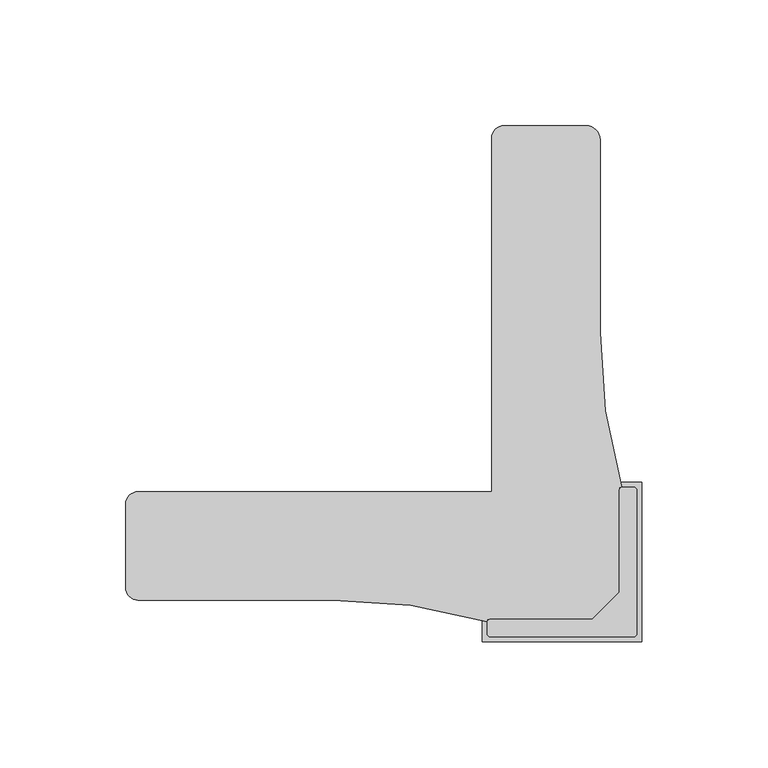
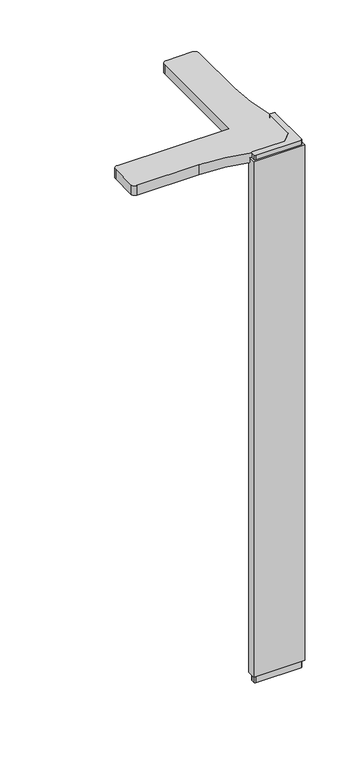
"""IFC4 building model written with IfcOpenShell, lengths in millimetres: furniture geometry."""

from ifc_helpers import new_model, si_unit, point, frame, frame_2d, origin, origin_with_axes, place, context, project, spatial, polyline, circle_curve, trimmed, segment, composite_curve, outline, extrude, source, transform, mapped, element, save


def furniture_6d6c1a7d(model_context):
    return source(origin(), model_context, "Body", "SweptSolid", [
        extrude(outline(composite_curve([segment(polyline([(-36.165211, 9.017), (-25.4630781, 19.7191329), (-25.4630781, 60.199777)]), True, "CONTINUOUS"), segment(trimmed(circle_curve(frame_2d((-24.0673366, 60.199777)), 1.3957414), [point((-25.4630781, 60.199777))], [point((-24.0673366, 61.5955185))], False, "CARTESIAN"), True, "CONTINUOUS"), segment(polyline([(-24.0673366, 61.5955185), (-19.725137, 61.5955185)]), True, "CONTINUOUS"), segment(trimmed(circle_curve(frame_2d((-19.725137, 60.3479675)), 1.2475509), [point((-19.725137, 61.5955185))], [point((-18.4775861, 60.3479675))], False, "CARTESIAN"), True, "CONTINUOUS"), segment(polyline([(-18.4775861, 60.3479675), (-18.4775861, 3.2989482)]), True, "CONTINUOUS"), segment(trimmed(circle_curve(frame_2d((-19.7448219, 3.2989482)), 1.2672359), [point((-18.4775861, 3.2989482))], [point((-19.7448219, 2.0317123))], False, "CARTESIAN"), True, "CONTINUOUS"), segment(polyline([(-19.7448219, 2.0317123), (-76.7822442, 2.0317123)]), True, "CONTINUOUS"), segment(trimmed(circle_curve(frame_2d((-76.7822442, 3.2908603)), 1.259148), [point((-76.7822442, 2.0317123))], [point((-78.0413922, 3.2908603))], False, "CARTESIAN"), True, "CONTINUOUS"), segment(polyline([(-78.0413922, 3.2908603), (-78.0413922, 7.6493291)]), True, "CONTINUOUS"), segment(trimmed(circle_curve(frame_2d((-76.6737214, 7.6493291)), 1.3676709), [point((-78.0413922, 7.6493291))], [point((-76.6737214, 9.017))], False, "CARTESIAN"), True, "CONTINUOUS"), segment(polyline([(-76.6737214, 9.017), (-36.165211, 9.017)]), True, "CONTINUOUS")], self_intersect=False)), frame((0.0, 0.0, 692.15), z_axis=(0.0, 0.0, 1.0), x_axis=(1.0, 0.0, 0.0)), (0.0, 0.0, 1.0), 6.35),
        extrude(outline(composite_curve([segment(polyline([(-36.165211, 9.017), (-25.4630781, 19.7191329), (-25.4630781, 60.199777)]), True, "CONTINUOUS"), segment(trimmed(circle_curve(frame_2d((-24.0673366, 60.199777)), 1.3957414), [point((-25.4630781, 60.199777))], [point((-24.0673366, 61.5955185))], False, "CARTESIAN"), True, "CONTINUOUS"), segment(polyline([(-24.0673366, 61.5955185), (-19.725137, 61.5955185)]), True, "CONTINUOUS"), segment(trimmed(circle_curve(frame_2d((-19.725137, 60.3479675)), 1.2475509), [point((-19.725137, 61.5955185))], [point((-18.4775861, 60.3479675))], False, "CARTESIAN"), True, "CONTINUOUS"), segment(polyline([(-18.4775861, 60.3479675), (-18.4775861, 3.2989482)]), True, "CONTINUOUS"), segment(trimmed(circle_curve(frame_2d((-19.7448219, 3.2989482)), 1.2672359), [point((-18.4775861, 3.2989482))], [point((-19.7448219, 2.0317123))], False, "CARTESIAN"), True, "CONTINUOUS"), segment(polyline([(-19.7448219, 2.0317123), (-76.7822442, 2.0317123)]), True, "CONTINUOUS"), segment(trimmed(circle_curve(frame_2d((-76.7822442, 3.2908603)), 1.259148), [point((-76.7822442, 2.0317123))], [point((-78.0413922, 3.2908603))], False, "CARTESIAN"), True, "CONTINUOUS"), segment(polyline([(-78.0413922, 3.2908603), (-78.0413922, 7.6493291)]), True, "CONTINUOUS"), segment(trimmed(circle_curve(frame_2d((-76.6737214, 7.6493291)), 1.3676709), [point((-78.0413922, 7.6493291))], [point((-76.6737214, 9.017))], False, "CARTESIAN"), True, "CONTINUOUS"), segment(polyline([(-76.6737214, 9.017), (-36.165211, 9.017)]), True, "CONTINUOUS")], self_intersect=False)), origin_with_axes(), (0.0, 0.0, 1.0), 9.525),
        extrude(outline(polyline([(-27.4956403, 63.627), (-16.445152, 63.627), (-16.445152, -0.0007218), (-80.0730781, -0.0007218), (-80.0730781, 11.0497665), (-63.5883712, 11.0497665), (-27.4956403, 47.1424975), (-27.4956403, 63.627)]), holes=[composite_curve([segment(polyline([(-30.0060955, 41.0399398), (-57.4858486, 13.5601867)]), True, "CONTINUOUS"), segment(trimmed(circle_curve(frame_2d((-56.7672161, 12.8415543)), 1.0162998), [point((-57.4858486, 13.5601867))], [point((-56.0485836, 12.1229218))], False, "CARTESIAN"), True, "CONTINUOUS"), segment(polyline([(-56.0485836, 12.1229218), (-57.1225054, 11.049), (-43.1140582, 11.049), (-27.4950781, 26.6679801), (-27.4950781, 40.6787528), (-28.5699933, 39.6038376)]), True, "CONTINUOUS"), segment(trimmed(circle_curve(frame_2d((-29.2880444, 40.3218887)), 1.0154776), [point((-28.5699933, 39.6038376))], [point((-30.0060955, 41.0399398))], False, "CARTESIAN"), True, "CONTINUOUS")], self_intersect=False)]), frame((0.0, 0.0, 9.525), z_axis=(0.0, 0.0, 1.0), x_axis=(1.0, 0.0, 0.0)), (0.0, 0.0, 1.0), 682.625),
        extrude(outline(composite_curve([segment(polyline([(-33.1325055, 199.8409662), (-33.1325055, 122.9243332)]), True, "CONTINUOUS"), segment(trimmed(circle_curve(frame_2d((188.4741311, 122.9243332)), 221.6066366), [point((-33.1325055, 122.9243332))], [point((-24.4772199, 61.5955185))], True, "CARTESIAN"), True, "CONTINUOUS"), segment(polyline([(-24.4772199, 61.5955185), (-25.4630781, 61.5955185), (-25.4630781, 19.7191329), (-36.165211, 9.017), (-78.0413922, 9.017), (-78.0413922, 8.0290207)]), True, "CONTINUOUS"), segment(trimmed(circle_curve(frame_2d((-139.3678815, -204.7868455)), 221.4758027), [point((-78.0413922, 8.0290207))], [point((-139.3678815, 16.6889572))], True, "CARTESIAN"), True, "CONTINUOUS"), segment(polyline([(-139.3678815, 16.6889572), (-216.8964077, 16.6889572)]), True, "CONTINUOUS"), segment(trimmed(circle_curve(frame_2d((-216.8964077, 21.5740052)), 4.885048), [point((-216.8964077, 16.6889572))], [point((-221.7814557, 21.5740052))], False, "CARTESIAN"), True, "CONTINUOUS"), segment(polyline([(-221.7814557, 21.5740052), (-221.7814557, 54.7505345)]), True, "CONTINUOUS"), segment(trimmed(circle_curve(frame_2d((-216.7154329, 54.7505345)), 5.0660228), [point((-221.7814557, 54.7505345))], [point((-216.7154329, 59.8165573))], False, "CARTESIAN"), True, "CONTINUOUS"), segment(polyline([(-216.7154329, 59.8165573), (-76.2647565, 59.8165573), (-76.2647565, 200.3386634)]), True, "CONTINUOUS"), segment(trimmed(circle_curve(frame_2d((-71.2701633, 200.3386634)), 4.9945931), [point((-76.2647565, 200.3386634))], [point((-71.2701633, 205.3332565))], False, "CARTESIAN"), True, "CONTINUOUS"), segment(polyline([(-71.2701633, 205.3332565), (-38.6247958, 205.3332565)]), True, "CONTINUOUS"), segment(trimmed(circle_curve(frame_2d((-38.6247958, 199.8409662)), 5.4922903), [point((-38.6247958, 205.3332565))], [point((-33.1325055, 199.8409662))], False, "CARTESIAN"), True, "CONTINUOUS")], self_intersect=False)), frame((0.0, 0.0, 685.8), z_axis=(0.0, 0.0, 1.0), x_axis=(1.0, 0.0, 0.0)), (0.0, 0.0, 1.0), 12.7),
    ])


if __name__ == "__main__":
    model = new_model("IFC4")
    model_context = context("Model", 3, world=origin())
    ifc_project = project(units=[si_unit("LENGTHUNIT", "METRE", prefix="MILLI")], contexts=[model_context])
    site = spatial("IfcSite", under=ifc_project)
    building = spatial("IfcBuilding", under=site)
    placement = place(None, origin())
    furniture_shape = furniture_6d6c1a7d(model_context)
    element("IfcFurniture", 1, at=placement, inside=building, context=model_context, shape_type="MappedRepresentation", body=[
        mapped(furniture_shape, transform((0.0, 0.0, 0.0), x_axis=(1.0, 0.0, 0.0), y_axis=(0.0, 1.0, 0.0), z_axis=(0.0, 0.0, 1.0))),
    ])
    save(model, "model.ifc")
